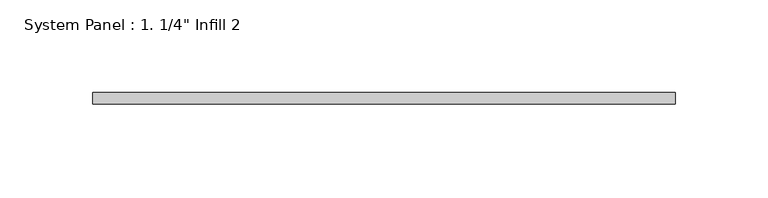
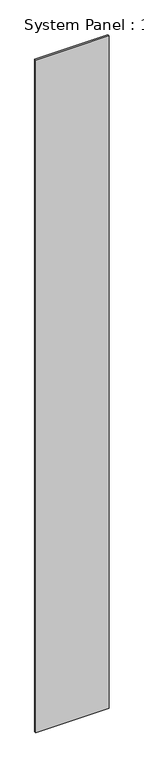
"""IFC4 building model written with IfcOpenShell, lengths in millimetres: plate geometry."""

from ifc_helpers import new_model, si_unit, origin, origin_with_axes, place, context, project, spatial, polyline, outline, extrude, source, transform, mapped, element, save


def plate_b68db7a6(model_context):
    return source(origin(), model_context, "Body", "SweptSolid", [
        extrude(outline(polyline([(157.1625566, 0.0), (-157.1625566, 0.0), (-157.1625566, 6.35), (157.1625566, 6.35), (157.1625566, 0.0)])), origin_with_axes(), (0.0, 0.0, 1.0), 3048.0),
    ])


if __name__ == "__main__":
    model = new_model("IFC4")
    model_context = context("Model", 3, world=origin())
    ifc_project = project(units=[si_unit("LENGTHUNIT", "METRE", prefix="MILLI")], contexts=[model_context])
    site = spatial("IfcSite", under=ifc_project)
    building = spatial("IfcBuilding", under=site)
    placement = place(None, origin())
    plate_shape = plate_b68db7a6(model_context)
    element("IfcPlate", 1, ObjectType="System Panel : 1. 1/4\" Infill 2", at=placement, inside=building, context=model_context, shape_type="MappedRepresentation", body=[
        mapped(plate_shape, transform((0.0, 0.0, 0.0), x_axis=(1.0, 0.0, 0.0), y_axis=(0.0, 1.0, 0.0), z_axis=(0.0, 0.0, 1.0))),
    ])
    save(model, "model.ifc")
